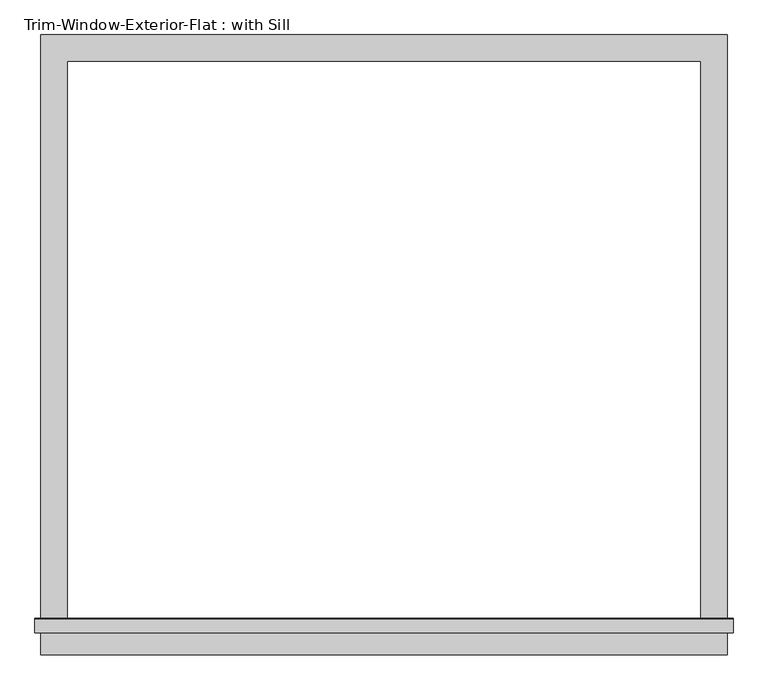
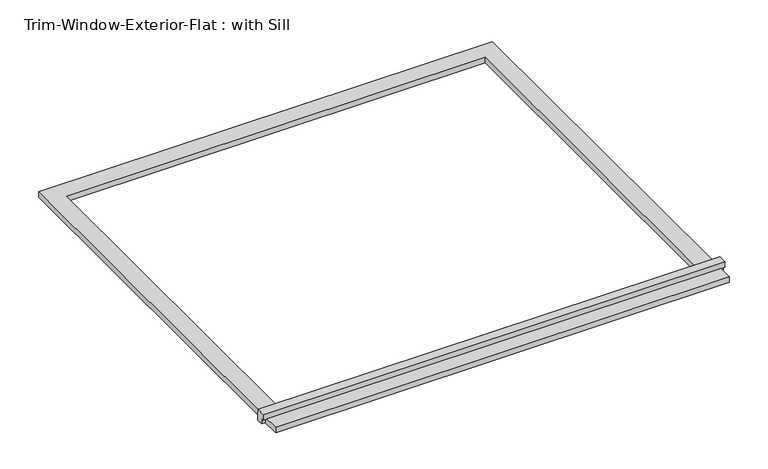
"""IFC4 building model written with IfcOpenShell, lengths in millimetres: proxy geometry, Trim-Window-Exterior-Flat : with Sill."""

from ifc_helpers import new_model, si_unit, frame, origin, origin_with_axes, place, context, project, spatial, polyline, outline, extrude, source, transform, mapped, element, save


def trim_window_exterior_flat_with_sill_7459325d(model_context):
    return source(origin(), model_context, "Body", "SweptSolid", [
        extrude(outline(polyline([(742.95, -1228.6823709), (742.95, -1285.8323709), (-742.95, -1285.8323709), (-742.95, -1228.6823709), (742.95, -1228.6823709)])), origin_with_axes(), (0.0, 0.0, 1.0), 19.05),
        extrude(outline(polyline([(-1238.25, 38.1), (-1208.9580645, 38.1), (-1206.5, 19.05), (-1206.5, 0.0), (-1228.6823709, 0.0), (-1228.6823709, 19.05), (-1238.25, 19.05), (-1238.25, 38.1)])), frame((-755.65, 0.0, 0.0), z_axis=(1.0, 0.0, 0.0), x_axis=(0.0, 1.0, 0.0)), (0.0, 0.0, 1.0), 1511.3),
        extrude(outline(polyline([(-742.95, 57.15), (742.95, 57.15), (742.95, -1206.5), (685.8, -1206.5), (685.8, 0.0), (-685.8, 0.0), (-685.8, -1206.5), (-742.95, -1206.5), (-742.95, 57.15)])), origin_with_axes(), (0.0, 0.0, 1.0), 19.05),
    ])


if __name__ == "__main__":
    model = new_model("IFC4")
    model_context = context("Model", 3, world=origin())
    ifc_project = project(units=[si_unit("LENGTHUNIT", "METRE", prefix="MILLI")], contexts=[model_context])
    site = spatial("IfcSite", under=ifc_project)
    building = spatial("IfcBuilding", under=site)
    placement = place(None, origin())
    trim_window_exterior_flat_with_sill_shape = trim_window_exterior_flat_with_sill_7459325d(model_context)
    element("IfcBuildingElementProxy", 1, Name="Trim-Window-Exterior-Flat : with Sill", ObjectType="Trim-Window-Exterior-Flat : with Sill", at=placement, inside=building, context=model_context, shape_type="MappedRepresentation", body=[
        mapped(trim_window_exterior_flat_with_sill_shape, transform((0.0, 0.0, 0.0), x_axis=(1.0, 0.0, 0.0), y_axis=(0.0, 1.0, 0.0), z_axis=(0.0, 0.0, 1.0))),
    ])
    save(model, "model.ifc")
